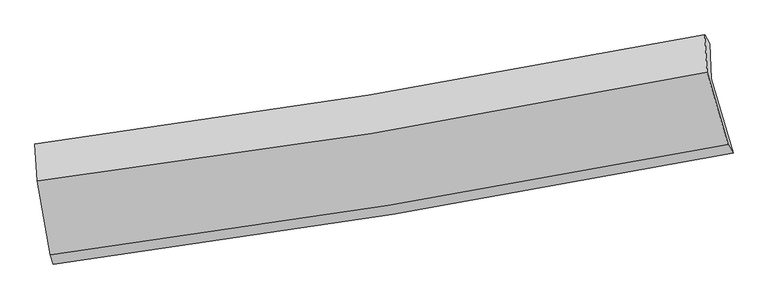
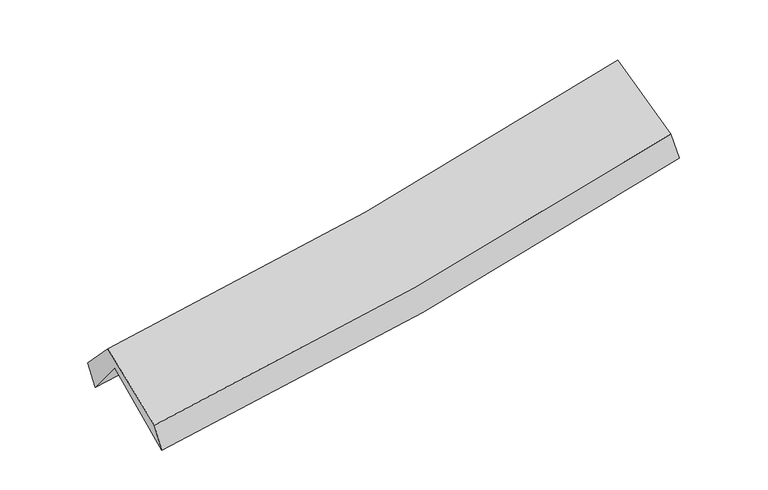
"""IFC4 building model written with IfcOpenShell, lengths in millimetres: proxy geometry."""

from ifc_helpers import new_model, si_unit, frame, origin, place, context, project, spatial, source, transform, mapped, element, save
from ifc_brep_helpers import plane_surface, spline_curve, spline_surface, advanced_brep


def generic_models_53646999(model_context):
    return source(origin(), model_context, "Body", "AdvancedBrep", [
        advanced_brep(
        [(-2251.0111055, -2473.4783784, 1498.9952976), (-2343.978606, -1967.9792524, 1938.0468049), (2283.20007, -1194.5537511, 2354.3232953), (2435.4026691, -1708.1214361, 1926.2858427), (-2355.4874348, -1712.7515176, 1619.5370856), (2273.4798927, -950.8518572, 2043.2778156), (-2375.6978701, -1644.1061108, 1794.8131811), (2240.4644954, -891.5144022, 2219.6604634), (-2361.2037764, -1899.6760881, 2068.470961), (2256.4133229, -1148.9043992, 2501.4305367), (-2271.2438221, -2408.0757467, 1680.8872874), (2401.3458032, -1649.1815509, 2111.8735223)],
        [
            (0, 1),
            (1, 2, spline_curve(3, [(-2343.978606, -1967.9792524, 1938.0468049), (-1570.98015057, -1866.043392772, 1978.04868882), (-801.403257656, -1751.134575355, 2032.415163856), (741.081107064, -1493.672895813, 2170.789968982), (1513.897105964, -1350.773212767, 2255.182324217), (2283.20007, -1194.5537511, 2354.3232953)], [4, 2, 4], [0.0, 7.725195185640976, 15.55297249776113])),
            (2, 3),
            (3, 0, spline_curve(3, [(2435.4026691, -1708.1214361, 1926.2858427), (1656.592600243, -1862.254690482, 1823.914527176), (874.052812872, -2003.436871237, 1736.987667607), (-688.182226519, -2258.218631568, 1594.959628919), (-1467.780364072, -2372.155431638, 1539.456306865), (-2251.0111055, -2473.4783784, 1498.9952976)], [4, 2, 4], [0.0, 7.827777312120155, 15.55297249776113])),
            (1, 4),
            (4, 5, spline_curve(3, [(-2355.4874348, -1712.7515176, 1619.5370856), (-1581.602443132, -1610.000853142, 1649.211752845), (-811.432263756, -1495.629805068, 1698.99440363), (731.656157516, -1241.973912378, 1839.703744211), (1504.475087437, -1102.378407367, 1931.16800324), (2273.4798927, -950.8518572, 2043.2778156)], [4, 2, 4], [0.0, 7.679022468333545, 15.460013940058387])),
            (5, 2),
            (4, 6),
            (6, 7, spline_curve(3, [(-2375.6978701, -1644.1061108, 1794.8131811), (-1605.315135052, -1543.663521871, 1838.658932396), (-837.960684255, -1431.219587341, 1895.664859661), (700.841062766, -1180.676529909, 2036.928794294), (1472.207400509, -1042.256561692, 2121.538628043), (2240.4644954, -891.5144022, 2219.6604634)], [4, 2, 4], [0.0, 7.667829426812851, 15.4374792256914])),
            (7, 5),
            (6, 8),
            (8, 9, spline_curve(3, [(-2361.2037764, -1899.6760881, 2068.470961), (-1590.036550622, -1805.419465071, 2118.707623541), (-822.167633252, -1696.238587886, 2179.597218542), (717.126244088, -1446.38034517, 2323.632280226), (1488.463026398, -1305.30399281, 2407.062543744), (2256.4133229, -1148.9043992, 2501.4305367)], [4, 2, 4], [0.0, 7.657219227104894, 15.416117934450456])),
            (9, 7),
            (8, 10),
            (10, 11, spline_curve(3, [(-2271.2438221, -2408.0757467, 1680.8872874), (-1490.915096205, -2308.228232784, 1727.717075881), (-713.914402764, -2195.565496296, 1786.72971589), (843.704444481, -1942.943368109, 1930.066096213), (1624.233626086, -1802.641372676, 2014.715534635), (2401.3458032, -1649.1815509, 2111.8735223)], [4, 2, 4], [0.0, 7.703678282755684, 15.509652971099337])),
            (11, 9),
            (10, 0),
            (3, 11),
        ],
        [
            spline_surface(3, 3, [[(-2251.0111055, -2473.4783784, 1498.9952976), (-1467.78036409, -2372.15543154, 1539.456306978), (-688.18222652, -2258.218631545, 1594.959629029), (874.052812873, -2003.436871261, 1736.987667495), (1656.592600179, -1862.254690496, 1823.914527095), (2435.4026691, -1708.1214361, 1926.2858427)], [(-2282.000272333, -2304.97866975, 1645.345800049), (-1502.180292932, -2203.451418597, 1685.653767624), (-725.922570212, -2089.190612831, 1740.778140623), (829.728910885, -1833.515546101, 1881.588434662), (1609.027435416, -1691.760864548, 1967.67045945), (2384.668469391, -1536.932207768, 2068.964993561)], [(-2312.989439167, -2136.47896105, 1791.696302451), (-1536.580221775, -2034.747405604, 1831.851228222), (-763.662913857, -1920.162594108, 1886.596652233), (785.405008944, -1663.594220934, 2026.189201844), (1561.462270679, -1521.267038595, 2111.426391823), (2333.934269709, -1365.742979432, 2211.644144439)], [(-2343.978606, -1967.9792524, 1938.0468049), (-1570.980150618, -1866.043392661, 1978.048688868), (-801.403257549, -1751.134575393, 2032.415163827), (741.081106956, -1493.672895774, 2170.789969011), (1513.897105916, -1350.773212646, 2255.182324179), (2283.20007, -1194.5537511, 2354.3232953)]], [4, 4], [4, 2, 4], [0.0, 2.2335009654419635], [0.0, 7.725195185640976, 15.55297249776113]),
            spline_surface(3, 3, [[(-2343.978606, -1967.9792524, 1938.0468049), (-1570.980150618, -1866.043392661, 1978.048688868), (-801.403257549, -1751.134575393, 2032.415163827), (741.081106956, -1493.672895774, 2170.789969011), (1513.897105916, -1350.773212646, 2255.182324179), (2283.20007, -1194.5537511, 2354.3232953)], [(-2347.814882281, -1882.903340796, 1831.876898445), (-1574.520914815, -1780.695879522, 1868.436376835), (-804.746259637, -1665.966318603, 1921.274910458), (737.93945719, -1409.773234677, 2060.427894051), (1510.756433101, -1267.974944189, 2147.177550516), (2279.960010901, -1113.319786464, 2250.641468725)], [(-2351.651158519, -1797.827429204, 1725.706992055), (-1578.061678969, -1695.348366394, 1758.824064868), (-808.089261767, -1580.798061784, 1810.134657083), (734.797807382, -1325.87357355, 1950.065819086), (1507.615760284, -1185.176675741, 2039.172776878), (2276.719951799, -1032.085821836, 2146.959642175)], [(-2355.4874348, -1712.7515176, 1619.5370856), (-1581.602443166, -1610.000853256, 1649.211752835), (-811.432263855, -1495.629804994, 1698.994403714), (731.656157616, -1241.973912453, 1839.703744126), (1504.475087469, -1102.378407283, 1931.168003215), (2273.4798927, -950.8518572, 2043.2778156)]], [4, 4], [4, 2, 4], [0.0, 1.3716001328946028], [0.0, 7.679022468333545, 15.460013940058387]),
            spline_surface(3, 3, [[(-2355.4874348, -1712.7515176, 1619.5370856), (-1581.602443166, -1610.000853256, 1649.211752835), (-811.432263855, -1495.629804994, 1698.994403714), (731.656157616, -1241.973912453, 1839.703744126), (1504.475087469, -1102.378407283, 1931.168003215), (2273.4798927, -950.8518572, 2043.2778156)], [(-2362.224246571, -1689.86971531, 1677.962450767), (-1589.506673812, -1587.888409424, 1712.360812708), (-820.275070682, -1474.159732402, 1764.551222314), (721.384459326, -1221.541451636, 1905.445427538), (1493.719191812, -1082.337792109, 1994.624878158), (2262.47476028, -931.072705555, 2102.072031546)], [(-2368.961058329, -1666.98791309, 1736.387815933), (-1597.410904445, -1565.775965662, 1775.509872578), (-829.117877459, -1452.689659826, 1830.108040955), (711.112761088, -1201.108990835, 1971.187110989), (1482.963296115, -1062.297176869, 2058.081753061), (2251.46962782, -911.293553845, 2160.866247454)], [(-2375.6978701, -1644.1061108, 1794.8131811), (-1605.315135091, -1543.66352183, 1838.65893245), (-837.960684286, -1431.219587234, 1895.664859556), (700.841062799, -1180.676530018, 2036.928794401), (1472.207400458, -1042.256561694, 2121.538628004), (2240.4644954, -891.5144022, 2219.6604634)]], [4, 4], [4, 2, 4], [0.0, 0.6847546645093202], [0.0, 7.667829426812851, 15.4374792256914]),
            spline_surface(3, 3, [[(-2375.6978701, -1644.1061108, 1794.8131811), (-1605.315135091, -1543.66352183, 1838.65893245), (-837.960684286, -1431.219587234, 1895.664859556), (700.841062799, -1180.676530018, 2036.928794401), (1472.207400458, -1042.256561694, 2121.538628004), (2240.4644954, -891.5144022, 2219.6604634)], [(-2370.866505522, -1729.296103241, 1886.032441069), (-1600.222273552, -1630.915502896, 1932.008496139), (-832.696333919, -1519.5592541, 1990.308979217), (706.269456532, -1269.244468439, 2132.496622981), (1477.62594244, -1129.939038723, 2216.713266536), (2245.780771208, -977.311067868, 2313.583821141)], [(-2366.035140978, -1814.486095659, 1977.251701031), (-1595.129412048, -1718.167483939, 2025.358059821), (-827.431983542, -1607.898920938, 2084.953098921), (711.697850276, -1357.812406832, 2228.064451605), (1483.044484497, -1217.62151575, 2311.887905146), (2251.097047092, -1063.107733532, 2407.507178959)], [(-2361.2037764, -1899.6760881, 2068.470961), (-1590.036550509, -1805.419465004, 2118.70762351), (-822.167633174, -1696.238587804, 2179.597218583), (717.12624401, -1446.380345253, 2323.632280185), (1488.463026479, -1305.303992779, 2407.062543678), (2256.4133229, -1148.9043992, 2501.4305367)]], [4, 4], [4, 2, 4], [0.0, 1.2794972015645791], [0.0, 7.657219227104894, 15.416117934450456]),
            spline_surface(3, 3, [[(-2361.2037764, -1899.6760881, 2068.470961), (-1590.036550509, -1805.419465004, 2118.70762351), (-822.167633174, -1696.238587804, 2179.597218583), (717.12624401, -1446.380345253, 2323.632280185), (1488.463026479, -1305.303992779, 2407.062543678), (2256.4133229, -1148.9043992, 2501.4305367)], [(-2331.217124975, -2069.142640983, 1939.276403154), (-1556.996065745, -1973.022387595, 1988.377441026), (-786.083223015, -1862.680890599, 2048.641384358), (759.318977497, -1611.901352897, 2192.443552186), (1533.719893019, -1471.083119448, 2276.28020733), (2304.724149668, -1315.663449769, 2371.578198587)], [(-2301.230473525, -2238.609193817, 1810.081845246), (-1523.955580955, -2140.625310138, 1858.04725848), (-749.998812885, -2029.12319341, 1917.685550137), (801.511710955, -1777.422360558, 2061.25482419), (1578.976759555, -1636.86224611, 2145.497870921), (2353.034976432, -1482.422500331, 2241.725860413)], [(-2271.2438221, -2408.0757467, 1680.8872874), (-1490.915096191, -2308.228232729, 1727.717075996), (-713.914402726, -2195.565496205, 1786.729715912), (843.704444442, -1942.943368202, 1930.066096191), (1624.233626095, -1802.64137278, 2014.715534573), (2401.3458032, -1649.1815509, 2111.8735223)]], [4, 4], [4, 2, 4], [0.0, 2.1170167216852622], [0.0, 7.703678282755684, 15.509652971099337]),
            spline_surface(3, 3, [[(-2271.2438221, -2408.0757467, 1680.8872874), (-1490.915096191, -2308.228232729, 1727.717075996), (-713.914402726, -2195.565496205, 1786.729715912), (843.704444442, -1942.943368202, 1930.066096191), (1624.233626095, -1802.64137278, 2014.715534573), (2401.3458032, -1649.1815509, 2111.8735223)], [(-2264.499583219, -2429.87662392, 1620.256624116), (-1483.203518809, -2329.537298986, 1664.963486307), (-705.337010645, -2216.44987464, 1722.80635365), (853.820567265, -1963.10786921, 1865.706619991), (1635.019950809, -1822.512478662, 1951.115198754), (2412.698091852, -1668.828179276, 2050.01096244)], [(-2257.755344381, -2451.67750118, 1559.625960884), (-1475.491941471, -2350.846365283, 1602.209896668), (-696.759618601, -2237.33425311, 1658.882991291), (863.93669005, -1983.272370252, 1801.347143695), (1645.806275466, -1842.383584614, 1887.514862914), (2424.050380448, -1688.474807724, 1988.14840256)], [(-2251.0111055, -2473.4783784, 1498.9952976), (-1467.78036409, -2372.15543154, 1539.456306978), (-688.18222652, -2258.218631545, 1594.959629029), (874.052812873, -2003.436871261, 1736.987667495), (1656.592600179, -1862.254690496, 1823.914527095), (2435.4026691, -1708.1214361, 1926.2858427)]], [4, 4], [4, 2, 4], [0.0, 0.6692250469873107], [0.0, 7.760463619645875, 15.623977691925916]),
            plane_surface(frame((2315.0510422, -1257.1878995, 2192.8085794), z_axis=(0.9745921492295375, 0.19008800114571953, 0.11847655667082832), x_axis=(0.22283139730128632, -0.7691682121150761, -0.5989377512300036))),
            plane_surface(frame((-2326.4371025, -2017.677849, 1766.7917696), z_axis=(-0.9899452644985361, -0.12566804829620673, -0.06493007727044152), x_axis=(-0.10410503176179858, 0.33652144523763805, 0.9359035523263315))),
        ],
        [
            (0, [[1, 2, 3, 4]]),
            (1, [[5, 6, 7, -2]]),
            (2, [[8, 9, 10, -6]]),
            (3, [[11, 12, 13, -9]]),
            (4, [[14, 15, 16, -12]]),
            (5, [[17, -4, 18, -15]]),
            (6, [[-16, -18, -3, -7, -10, -13]]),
            (7, [[-17, -14, -11, -8, -5, -1]]),
        ],
    ),
    ])


if __name__ == "__main__":
    model = new_model("IFC4")
    model_context = context("Model", 3, world=origin())
    ifc_project = project(units=[si_unit("LENGTHUNIT", "METRE", prefix="MILLI")], contexts=[model_context])
    site = spatial("IfcSite", under=ifc_project)
    building = spatial("IfcBuilding", under=site)
    placement = place(None, origin())
    generic_models_shape = generic_models_53646999(model_context)
    element("IfcBuildingElementProxy", 1, Name="Generic Models", at=placement, inside=building, context=model_context, shape_type="MappedRepresentation", body=[
        mapped(generic_models_shape, transform((0.0, 0.0, 0.0), x_axis=(1.0, 0.0, 0.0), y_axis=(0.0, 1.0, 0.0), z_axis=(0.0, 0.0, 1.0))),
    ])
    save(model, "model.ifc")
